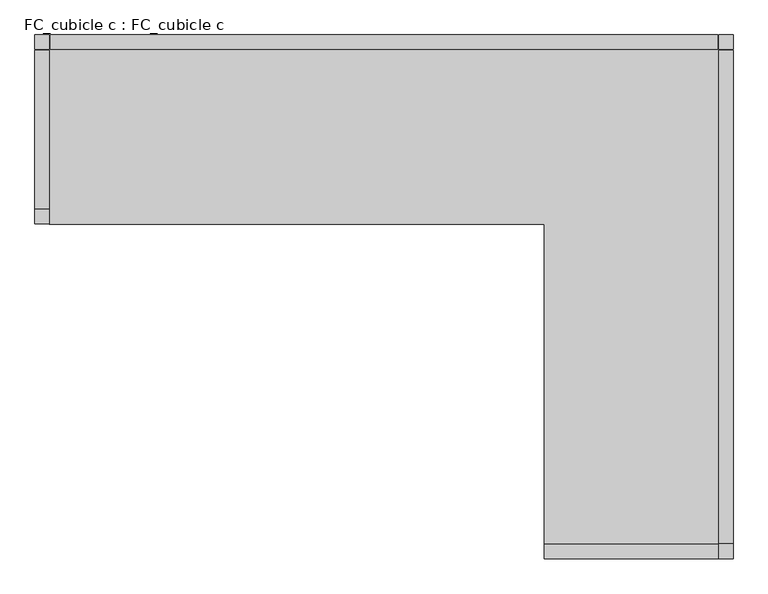
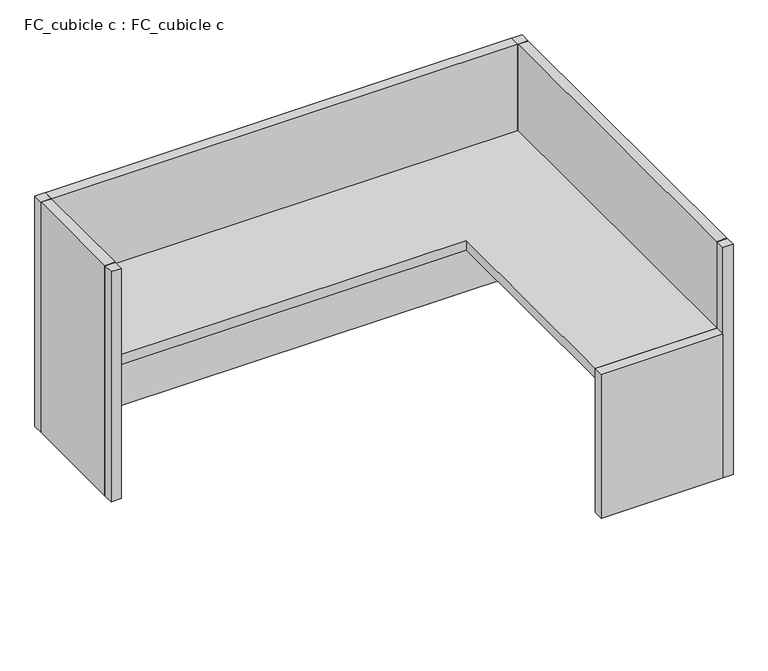
"""IFC4 building model written with IfcOpenShell, lengths in millimetres: furniture geometry, FC_cubicle c : FC_cubicle c."""

from ifc_helpers import new_model, si_unit, frame, origin, origin_with_axes, place, context, project, spatial, polyline, outline, extrude, source, transform, mapped, element, save


def fc_cubicle_c_fc_cubicle_c_f3a8d446(model_context):
    return source(origin(), model_context, "Body", "SweptSolid", [
        extrude(outline(polyline([(-660.4, -1828.8), (-660.4, -1778.0), (-50.8, -1778.0), (-50.8, -1828.8), (-660.4, -1828.8)])), origin_with_axes(), (0.0, 0.0, 1.0), 762.0),
        extrude(outline(polyline([(-2438.4, -660.4), (-2438.4, -609.6), (-2387.6, -609.6), (-2387.6, -660.4), (-2438.4, -660.4)])), origin_with_axes(), (0.0, 0.0, 1.0), 1219.2),
        extrude(outline(polyline([(-2438.4, -50.8), (-2438.4, 0.0), (-2387.6, 0.0), (-2387.6, -50.8), (-2438.4, -50.8)])), origin_with_axes(), (0.0, 0.0, 1.0), 1219.2),
        extrude(outline(polyline([(-50.8, -50.8), (-50.8, 0.0), (0.0, 0.0), (0.0, -50.8), (-50.8, -50.8)])), origin_with_axes(), (0.0, 0.0, 1.0), 1219.2),
        extrude(outline(polyline([(-50.8, -1828.8), (-50.8, -1778.0), (0.0, -1778.0), (0.0, -1828.8), (-50.8, -1828.8)])), origin_with_axes(), (0.0, 0.0, 1.0), 1219.2),
        extrude(outline(polyline([(-2387.6, -660.4), (-2387.6, -50.8), (-50.8, -50.8), (-50.8, -1778.0), (-660.4, -1778.0), (-660.4, -660.4), (-2387.6, -660.4)])), frame((0.0, 0.0, 711.2), z_axis=(0.0, 0.0, 1.0), x_axis=(1.0, 0.0, 0.0)), (0.0, 0.0, 1.0), 50.8),
        extrude(outline(polyline([(-2384.425, 0.0), (-53.975, 0.0), (-53.975, -50.8), (-2384.425, -50.8), (-2384.425, 0.0)])), origin_with_axes(), (0.0, 0.0, 1.0), 1219.2),
        extrude(outline(polyline([(0.0, -53.975), (0.0, -1774.825), (-50.8, -1774.825), (-50.8, -53.975), (0.0, -53.975)])), origin_with_axes(), (0.0, 0.0, 1.0), 1219.2),
        extrude(outline(polyline([(-2438.4, -53.975), (-2387.6, -53.975), (-2387.6, -606.425), (-2438.4, -606.425), (-2438.4, -53.975)])), origin_with_axes(), (0.0, 0.0, 1.0), 1219.2),
    ])


if __name__ == "__main__":
    model = new_model("IFC4")
    model_context = context("Model", 3, world=origin())
    ifc_project = project(units=[si_unit("LENGTHUNIT", "METRE", prefix="MILLI")], contexts=[model_context])
    site = spatial("IfcSite", under=ifc_project)
    building = spatial("IfcBuilding", under=site)
    placement = place(None, origin())
    fc_cubicle_c_fc_cubicle_c_shape = fc_cubicle_c_fc_cubicle_c_f3a8d446(model_context)
    element("IfcFurniture", 1, ObjectType="FC_cubicle c : FC_cubicle c", at=placement, inside=building, context=model_context, shape_type="MappedRepresentation", body=[
        mapped(fc_cubicle_c_fc_cubicle_c_shape, transform((0.0, 0.0, 0.0), x_axis=(1.0, 0.0, 0.0), y_axis=(0.0, 1.0, 0.0), z_axis=(0.0, 0.0, 1.0))),
    ])
    save(model, "model.ifc")
